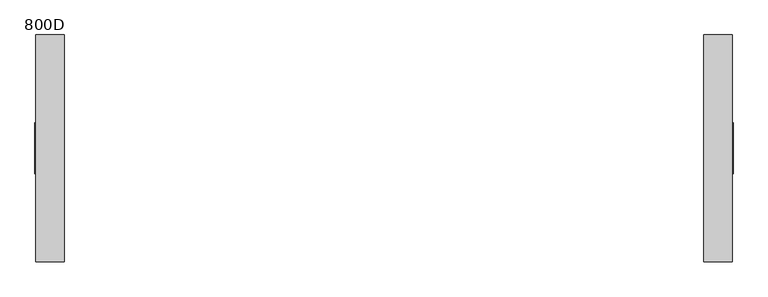
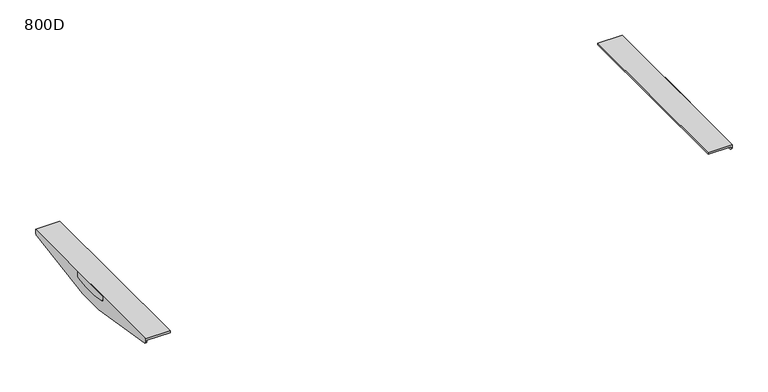
"""IFC4 building model written with IfcOpenShell, lengths in millimetres: furniture geometry, 800D."""

from ifc_helpers import new_model, si_unit, point, frame, frame_2d, origin, place, context, project, spatial, polyline, circle_curve, trimmed, segment, composite_curve, outline, extrude, source, transform, mapped, element, save
from ifc_brep_helpers import plane_surface, cylinder_surface, advanced_brep


def furniture_800d_349b8755(model_context):
    return source(origin(), model_context, "Body", "SolidModel", [
        advanced_brep(
        [(883.0000006, -287.4963324, 716.0), (810.0000017, -287.4963324, 716.0), (810.0000017, -287.4963324, 710.4999723), (880.0000009, -287.4963324, 710.4999723), (880.0000009, -287.4963324, 708.4998128), (883.0000006, -287.4963324, 708.4998128), (880.0000009, 287.5036993, 710.4999723), (810.0000017, 287.5036993, 710.4999723), (810.0000017, 287.5036993, 716.0), (883.0000006, 287.5036993, 716.0), (883.0000006, 287.5036993, 708.4997591), (880.0000009, 287.5036993, 708.4997591), (880.0000009, 279.1150126, 698.6304207), (880.0000009, 42.5041219, 660.0), (880.0000009, -42.4967459, 660.0), (880.0000009, -279.1076002, 698.6304207), (883.0000006, -279.1076002, 698.6304207), (883.0000006, -42.4967459, 660.0), (883.0000006, 42.5041219, 660.0), (883.0000006, 279.1150126, 698.6304207)],
        [
            (0, 1),
            (1, 2),
            (2, 3),
            (3, 4),
            (4, 5),
            (5, 0),
            (6, 7),
            (7, 8),
            (8, 9),
            (9, 10),
            (10, 11),
            (11, 6),
            (3, 6),
            (11, 12, circle_curve(frame((880.0000009, 277.503689, 708.4997591), z_axis=(-1.0, 0.0, 0.0), x_axis=(0.0, 1.0, 0.0)), 10.0000103)),
            (12, 13),
            (13, 14),
            (14, 15),
            (15, 4, circle_curve(frame((880.0000009, -277.4962677, 708.4998128), z_axis=(-1.0, 0.0, 0.0), x_axis=(0.0, 1.0, 0.0)), 10.0000647)),
            (2, 7),
            (1, 8),
            (0, 9),
            (5, 16, circle_curve(frame((883.0000006, -277.4962677, 708.4998128), z_axis=(1.0, 0.0, 0.0), x_axis=(0.0, 1.0, 0.0)), 10.0000647)),
            (16, 17),
            (17, 18),
            (18, 19),
            (19, 10, circle_curve(frame((883.0000006, 277.503689, 708.4997591), z_axis=(1.0, 0.0, 0.0), x_axis=(0.0, 1.0, 0.0)), 10.0000103)),
            (17, 14),
            (13, 18),
            (12, 19),
            (16, 15),
        ],
        [
            plane_surface(frame((883.0000006, -287.4963324, 660.0), z_axis=(0.0, -1.0, 0.0), x_axis=(1.0, 0.0, 0.0))),
            plane_surface(frame((883.0000006, 287.5036993, 660.0), z_axis=(0.0, 1.0, 0.0), x_axis=(-1.0, 0.0, 0.0))),
            plane_surface(frame((880.0000009, -287.4963324, 710.4999723), z_axis=(-1.0, 0.0, 0.0), x_axis=(0.0, 1.0, 0.0))),
            plane_surface(frame((810.0000017, -287.4963324, 710.4999723), z_axis=(0.0, 0.0, -1.0), x_axis=(0.0, 1.0, 0.0))),
            plane_surface(frame((810.0000017, -287.4963324, 716.0), z_axis=(-1.0, 0.0, 0.0), x_axis=(0.0, 1.0, 0.0))),
            plane_surface(frame((883.0000006, -287.4963324, 716.0), z_axis=(0.0, 0.0, 1.0), x_axis=(0.0, 1.0, 0.0))),
            plane_surface(frame((883.0000006, -287.4963324, 660.0), z_axis=(1.0, 0.0, 0.0), x_axis=(0.0, 1.0, 0.0))),
            plane_surface(frame((880.0000009, -287.4963324, 660.0), z_axis=(0.0, 0.0, -1.0), x_axis=(0.0, 1.0, 0.0))),
            plane_surface(frame((810.0000017, 42.5041219, 660.0), z_axis=(0.0, 0.16113218812194072, -0.9869328335560813), x_axis=(1.0, 0.0, 0.0))),
            cylinder_surface(frame((885.0, 277.503689, 708.4997591), z_axis=(1.0, 0.0, 0.0), x_axis=(0.0, 1.0, 0.0)), 10.0000103),
            plane_surface(frame((810.0000017, -279.1076002, 698.6304207), z_axis=(0.0, -0.16113221222328436, -0.9869328296211605), x_axis=(1.0, 0.0, 0.0))),
            cylinder_surface(frame((1200.0, -277.4962677, 708.4998128), z_axis=(1.0, 0.0, 0.0), x_axis=(0.0, 1.0, 0.0)), 10.0000647),
        ],
        [
            (0, [[1, 2, 3, 4, 5, 6]]),
            (1, [[7, 8, 9, 10, 11, 12]]),
            (2, [[13, -12, 14, 15, 16, 17, 18, -4]]),
            (3, [[-3, 19, -7, -13]]),
            (4, [[-2, 20, -8, -19]]),
            (5, [[-1, 21, -9, -20]]),
            (6, [[-21, -6, 22, 23, 24, 25, 26, -10]]),
            (7, [[-24, 27, -16, 28]]),
            (8, [[29, -25, -28, -15]]),
            (9, [[-29, -14, -11, -26]]),
            (10, [[30, -17, -27, -23]]),
            (11, [[-30, -22, -5, -18]]),
        ],
    ),
        extrude(outline(composite_curve([segment(polyline([(-64.9962871, 716.0), (65.0036994, 716.0), (65.0036994, 705.7477915)]), True, "CONTINUOUS"), segment(trimmed(circle_curve(frame_2d((60.0513722, 705.7477915)), 4.9523271), [point((65.0036994, 705.7477915))], [point((60.8052275, 700.8531775))], False, "CARTESIAN"), True, "CONTINUOUS"), segment(polyline([(60.8052275, 700.8531775), (22.2562903, 694.5405645), (-21.9956935, 694.5405645), (-60.8043191, 700.8134996)]), True, "CONTINUOUS"), segment(trimmed(circle_curve(frame_2d((-59.996269, 705.7477915)), 5.0000181), [point((-60.8043191, 700.8134996))], [point((-64.9962871, 705.7477915))], False, "CARTESIAN"), True, "CONTINUOUS"), segment(polyline([(-64.9962871, 705.7477915), (-64.9962871, 716.0)]), True, "CONTINUOUS")], self_intersect=False)), frame((883.0000006, 0.0, 0.0), z_axis=(1.0, 0.0, 0.0), x_axis=(0.0, 1.0, 0.0)), (0.0, 0.0, 1.0), 1.9999994),
        advanced_brep(
        [(-880.0000009, -287.4963324, 710.4999723), (-810.0000017, -287.4963324, 710.4999723), (-810.0000017, -287.4963324, 716.0), (-883.0000006, -287.4963324, 716.0), (-883.0000006, -287.4963324, 708.4998128), (-880.0000009, -287.4963324, 708.4998128), (-883.0000006, 287.5036993, 716.0), (-810.0000017, 287.5036993, 716.0), (-810.0000017, 287.5036993, 710.4999723), (-880.0000009, 287.5036993, 710.4999723), (-880.0000009, 287.5036993, 708.4997591), (-883.0000006, 287.5036993, 708.4997591), (-880.0000009, -279.1076002, 698.6304207), (-880.0000009, -42.4967459, 660.0), (-880.0000009, 42.5041219, 660.0), (-880.0000009, 279.1150126, 698.6304207), (-883.0000006, 279.1150126, 698.6304207), (-883.0000006, 42.5041219, 660.0), (-883.0000006, -42.4967459, 660.0), (-883.0000006, -279.1076002, 698.6304207)],
        [
            (0, 1),
            (1, 2),
            (2, 3),
            (3, 4),
            (4, 5),
            (5, 0),
            (6, 7),
            (7, 8),
            (8, 9),
            (9, 10),
            (10, 11),
            (11, 6),
            (9, 0),
            (5, 12, circle_curve(frame((-880.0000009, -277.4962677, 708.4998128), z_axis=(1.0, 0.0, 0.0), x_axis=(0.0, 1.0, 0.0)), 10.0000647)),
            (12, 13),
            (13, 14),
            (14, 15),
            (15, 10, circle_curve(frame((-880.0000009, 277.503689, 708.4997591), z_axis=(1.0, 0.0, 0.0), x_axis=(0.0, 1.0, 0.0)), 10.0000103)),
            (8, 1),
            (7, 2),
            (6, 3),
            (11, 16, circle_curve(frame((-883.0000006, 277.503689, 708.4997591), z_axis=(-1.0, 0.0, 0.0), x_axis=(0.0, 1.0, 0.0)), 10.0000103)),
            (16, 17),
            (17, 18),
            (18, 19),
            (19, 4, circle_curve(frame((-883.0000006, -277.4962677, 708.4998128), z_axis=(-1.0, 0.0, 0.0), x_axis=(0.0, 1.0, 0.0)), 10.0000647)),
            (13, 18),
            (17, 14),
            (16, 15),
            (12, 19),
        ],
        [
            plane_surface(frame((-880.0000009, -287.4963324, 660.0), z_axis=(0.0, -1.0, 0.0), x_axis=(0.0, 0.0, 1.0))),
            plane_surface(frame((-880.0000009, 287.5036993, 660.0), z_axis=(0.0, 1.0, 0.0), x_axis=(0.0, 0.0, -1.0))),
            plane_surface(frame((-880.0000009, -287.4963324, 660.0), z_axis=(1.0, 0.0, 0.0), x_axis=(0.0, 1.0, 0.0))),
            plane_surface(frame((-880.0000009, -287.4963324, 710.4999723), z_axis=(0.0, 0.0, -1.0), x_axis=(0.0, 1.0, 0.0))),
            plane_surface(frame((-810.0000017, -287.4963324, 710.4999723), z_axis=(1.0, 0.0, 0.0), x_axis=(0.0, 1.0, 0.0))),
            plane_surface(frame((-810.0000017, -287.4963324, 716.0), z_axis=(0.0, 0.0, 1.0), x_axis=(0.0, 1.0, 0.0))),
            plane_surface(frame((-883.0000006, -287.4963324, 716.0), z_axis=(-1.0, 0.0, 0.0), x_axis=(0.0, 1.0, 0.0))),
            plane_surface(frame((-883.0000006, -287.4963324, 660.0), z_axis=(0.0, 0.0, -1.0), x_axis=(0.0, 1.0, 0.0))),
            plane_surface(frame((-810.0000017, 279.1150126, 698.6304207), z_axis=(0.0, 0.16113218812194124, -0.9869328335560812), x_axis=(-1.0, 0.0, 0.0))),
            cylinder_surface(frame((-883.0000006, 277.503689, 708.4997591), z_axis=(-1.0, 0.0, 0.0), x_axis=(0.0, 1.0, 0.0)), 10.0000103),
            plane_surface(frame((-810.0000017, -42.4967459, 660.0), z_axis=(0.0, -0.16113221222328436, -0.9869328296211605), x_axis=(-1.0, 0.0, 0.0))),
            cylinder_surface(frame((0.0, -277.4962677, 708.4998128), z_axis=(-1.0, 0.0, 0.0), x_axis=(0.0, 1.0, 0.0)), 10.0000647),
        ],
        [
            (0, [[1, 2, 3, 4, 5, 6]]),
            (1, [[7, 8, 9, 10, 11, 12]]),
            (2, [[13, -6, 14, 15, 16, 17, 18, -10]]),
            (3, [[-1, -13, -9, 19]]),
            (4, [[-2, -19, -8, 20]]),
            (5, [[-3, -20, -7, 21]]),
            (6, [[-21, -12, 22, 23, 24, 25, 26, -4]]),
            (7, [[-16, 27, -24, 28]]),
            (8, [[29, -17, -28, -23]]),
            (9, [[-29, -22, -11, -18]]),
            (10, [[30, -25, -27, -15]]),
            (11, [[-30, -14, -5, -26]]),
        ],
    ),
        extrude(outline(composite_curve([segment(polyline([(-64.9962871, 716.0), (65.0036994, 716.0), (65.0036994, 705.7477915)]), True, "CONTINUOUS"), segment(trimmed(circle_curve(frame_2d((60.0513722, 705.7477915)), 4.9523271), [point((65.0036994, 705.7477915))], [point((60.8052275, 700.8531775))], False, "CARTESIAN"), True, "CONTINUOUS"), segment(polyline([(60.8052275, 700.8531775), (22.2562903, 694.5405645), (-21.9956935, 694.5405645), (-60.8043191, 700.8134996)]), True, "CONTINUOUS"), segment(trimmed(circle_curve(frame_2d((-59.996269, 705.7477915)), 5.0000181), [point((-60.8043191, 700.8134996))], [point((-64.9962871, 705.7477915))], False, "CARTESIAN"), True, "CONTINUOUS"), segment(polyline([(-64.9962871, 705.7477915), (-64.9962871, 716.0)]), True, "CONTINUOUS")], self_intersect=False)), frame((-885.0, 0.0, 0.0), z_axis=(1.0, 0.0, 0.0), x_axis=(0.0, 1.0, 0.0)), (0.0, 0.0, 1.0), 1.9999994),
    ])


if __name__ == "__main__":
    model = new_model("IFC4")
    model_context = context("Model", 3, world=origin())
    ifc_project = project(units=[si_unit("LENGTHUNIT", "METRE", prefix="MILLI")], contexts=[model_context])
    site = spatial("IfcSite", under=ifc_project)
    building = spatial("IfcBuilding", under=site)
    placement = place(None, origin())
    furniture_800d_shape = furniture_800d_349b8755(model_context)
    element("IfcFurniture", 1, ObjectType="800D", at=placement, inside=building, context=model_context, shape_type="MappedRepresentation", body=[
        mapped(furniture_800d_shape, transform((0.0, 0.0, 0.0), x_axis=(1.0, 0.0, 0.0), y_axis=(0.0, 1.0, 0.0), z_axis=(0.0, 0.0, 1.0))),
    ])
    save(model, "model.ifc")
